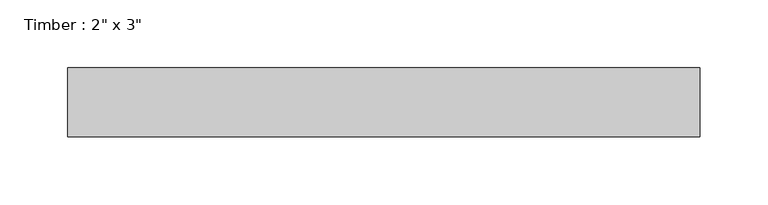
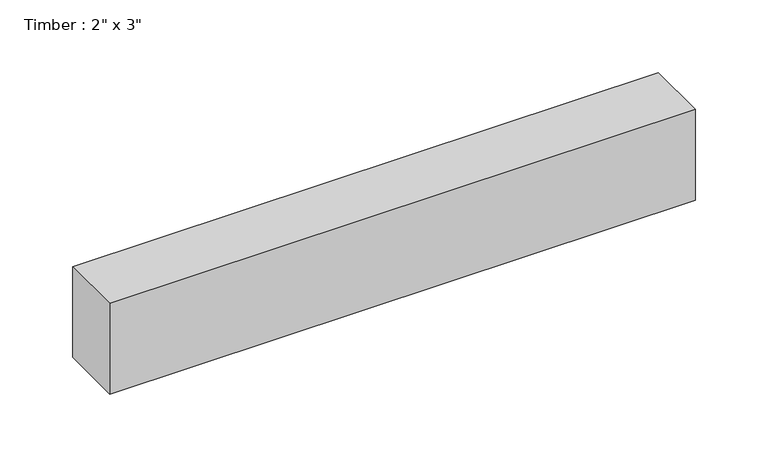
"""IFC4 building model written with IfcOpenShell, lengths in millimetres: beam geometry."""

from ifc_helpers import new_model, si_unit, frame, origin, place, context, project, spatial, polyline, outline, extrude, source, transform, mapped, element, save


def beam_3731f221(model_context):
    return source(origin(), model_context, "Body", "SweptSolid", [
        extrude(outline(polyline([(232.5575592, -25.4), (-232.5575592, -25.4), (-232.5575592, 25.4), (232.5575592, 25.4), (232.5575592, -25.4)])), frame((0.0, 0.0, -38.1), z_axis=(0.0, 0.0, 1.0), x_axis=(1.0, 0.0, 0.0)), (0.0, 0.0, 1.0), 76.2),
    ])


if __name__ == "__main__":
    model = new_model("IFC4")
    model_context = context("Model", 3, world=origin())
    ifc_project = project(units=[si_unit("LENGTHUNIT", "METRE", prefix="MILLI")], contexts=[model_context])
    site = spatial("IfcSite", under=ifc_project)
    building = spatial("IfcBuilding", under=site)
    placement = place(None, origin())
    beam_shape = beam_3731f221(model_context)
    element("IfcBeam", 1, ObjectType="Timber : 2\" x 3\"", at=placement, inside=building, context=model_context, shape_type="MappedRepresentation", body=[
        mapped(beam_shape, transform((0.0, 0.0, 0.0), x_axis=(1.0, 0.0, 0.0), y_axis=(0.0, 1.0, 0.0), z_axis=(0.0, 0.0, 1.0))),
    ])
    save(model, "model.ifc")
